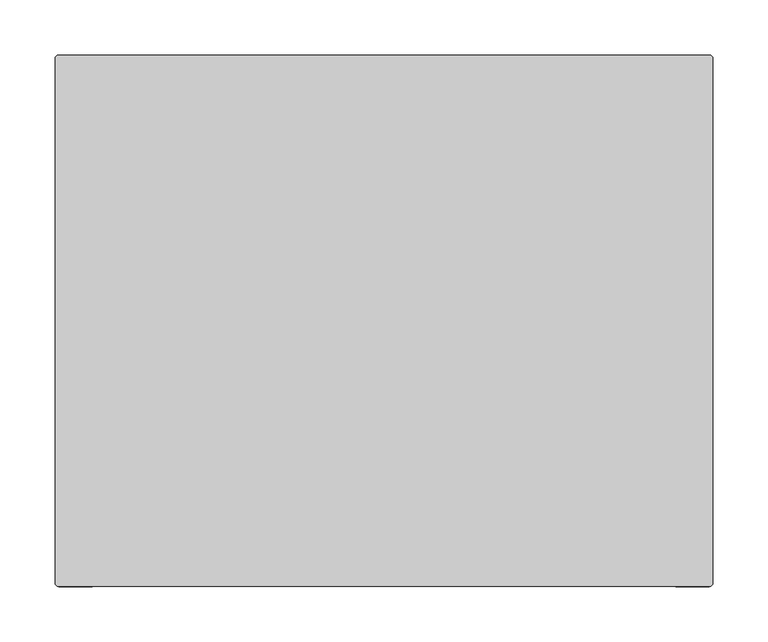
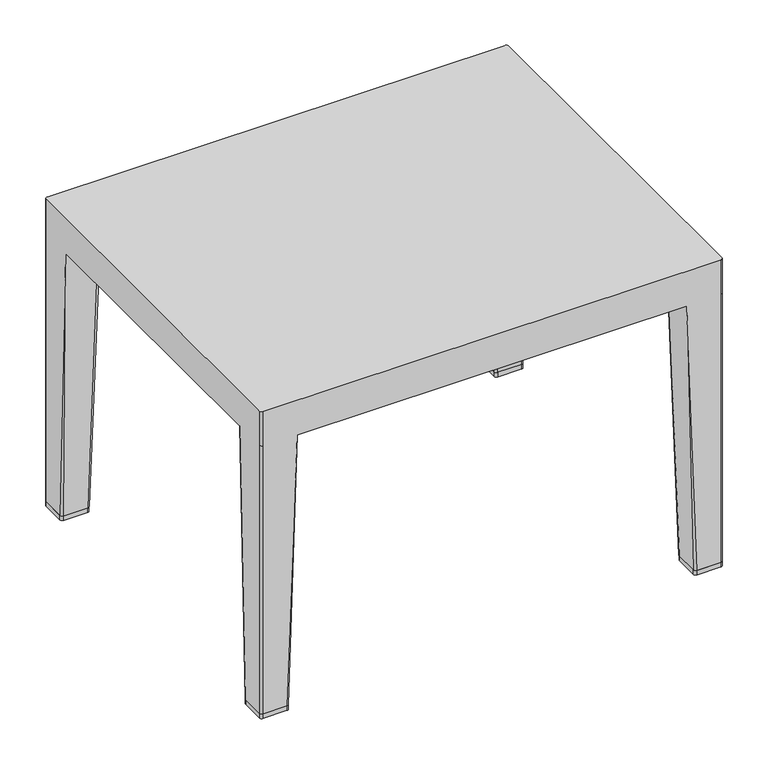
"""IFC4 building model written with IfcOpenShell, lengths in millimetres: furniture geometry."""

from ifc_helpers import new_model, si_unit, point, frame, frame_2d, origin, origin_with_axes, place, context, project, spatial, polyline, circle_curve, trimmed, segment, composite_curve, outline, extrude, source, transform, mapped, element, save
from ifc_brep_helpers import plane_surface, cylinder_surface, spline_surface, advanced_brep


def furniture_7663b2f9(model_context):
    return source(origin(), model_context, "Body", "SolidModel", [
        advanced_brep(
        [(-298.45, -245.3299408, 6.3500002), (-301.625, -242.1549408, 6.3500002), (-301.625, -211.3833511, 6.3500002), (-298.4808826, -208.2392337, 6.3500002), (-267.705475, -208.2392337, 6.3500002), (-264.5716941, -211.3730146, 6.3500002), (-264.5716941, -242.1549408, 6.3500002), (-267.7466941, -245.3299408, 6.3500002), (-254.383744, -245.3299408, 371.7726563), (248.033744, -245.3299408, 371.7726563), (261.3966941, -245.3299408, 6.3500002), (292.1, -245.3299408, 6.3500002), (292.0620244, -245.3299408, 371.7726563), (292.0620244, -245.3299408, 419.1), (-298.45, -245.3299408, 419.1), (-298.45, -245.3299408, 371.7726563), (-254.383744, -204.4012836, 371.7726563), (-301.625, -198.0512836, 371.7726563), (-260.733744, -198.0512836, 371.7726563), (-301.625, -242.1549408, 371.7726563), (-301.625, -242.1549408, 419.1), (-301.625, 234.0782167, 419.1), (-301.625, 234.0782167, 371.7726563), (-301.625, 234.0950592, 6.3500002), (-301.625, 203.3234695, 6.3500002), (-301.625, 189.991402, 371.7726563), (258.2216941, -242.1549408, 6.3500002), (258.2216941, -211.3730146, 6.3500002), (261.355475, -208.2392337, 6.3500002), (292.1308826, -208.2392337, 6.3500002), (295.275, -211.3833511, 6.3500002), (295.275, -242.1549408, 6.3500002), (248.033744, -204.4012836, 371.7726563), (254.383744, -198.0512836, 371.7726563), (295.275, -198.0512836, 371.7726563), (295.275, 189.991402, 371.7726563), (295.275, 203.3234695, 6.3500002), (295.275, 234.0950592, 6.3500002), (295.275, 234.0493066, 371.7726563), (295.275, 234.0493066, 419.1), (295.275, -242.1169652, 419.1), (295.275, -242.1169652, 371.7726563), (292.1, 237.2700592, 6.3500002), (292.1308826, 200.1793521, 6.3500002), (261.355475, 200.1793521, 6.3500002), (258.2216941, 203.313133, 6.3500002), (258.2216941, 234.0950592, 6.3500002), (261.3966941, 237.2700592, 6.3500002), (248.033744, 237.2700592, 371.7726563), (-254.383744, 237.2700592, 371.7726563), (-267.7466941, 237.2700592, 6.3500002), (-298.45, 237.2700592, 6.3500002), (-298.4331575, 237.2700592, 371.7726563), (-298.4331575, 237.2700592, 419.1), (292.0542474, 237.2700592, 419.1), (292.0542474, 237.2700592, 371.7726563), (248.033744, 196.341402, 371.7726563), (254.383744, 189.991402, 371.7726563), (-264.5716941, 234.0950592, 6.3500002), (-264.5716941, 203.313133, 6.3500002), (-267.705475, 200.1793521, 6.3500002), (-298.4808826, 200.1793521, 6.3500002), (-254.383744, 196.341402, 371.7726563), (-260.733744, 189.991402, 371.7726563)],
        [
            (0, 1, circle_curve(frame((-298.45, -242.1549408, 6.3500002), z_axis=(0.0, 0.0, -1.0), x_axis=(0.0, -1.0, 0.0)), 3.175)),
            (1, 2),
            (2, 3, circle_curve(frame((-298.4808826, -211.3833511, 6.3500002), z_axis=(0.0, 0.0, -1.0), x_axis=(-1.0, 0.0, 0.0)), 3.1441174)),
            (3, 4),
            (4, 5, circle_curve(frame((-267.705475, -211.3730146, 6.3500002), z_axis=(0.0, 0.0, -1.0), x_axis=(-1.0, 0.0, 0.0)), 3.1337809)),
            (5, 6),
            (6, 7, circle_curve(frame((-267.7466941, -242.1549408, 6.3500002), z_axis=(0.0, 0.0, -1.0), x_axis=(-1.0, 0.0, 0.0)), 3.175)),
            (7, 0),
            (7, 8),
            (8, 9),
            (9, 10),
            (10, 11),
            (11, 12),
            (12, 13),
            (13, 14),
            (14, 15),
            (15, 0),
            (5, 16),
            (16, 8),
            (8, 6),
            (3, 17),
            (17, 18),
            (18, 4),
            (1, 19),
            (19, 20),
            (20, 21),
            (21, 22),
            (22, 23),
            (23, 24),
            (24, 25),
            (25, 17),
            (17, 2),
            (18, 16, circle_curve(frame((-260.733744, -204.4012836, 371.7726563), z_axis=(0.0, 0.0, -1.0), x_axis=(-1.0, 0.0, 0.0)), 6.35)),
            (15, 19, circle_curve(frame((-298.45, -242.1549408, 371.7726562), z_axis=(0.0, 0.0, -1.0), x_axis=(0.0, -1.0, 0.0)), 3.175)),
            (10, 26, circle_curve(frame((261.3966941, -242.1549408, 6.3500002), z_axis=(0.0, 0.0, -1.0), x_axis=(1.0, 0.0, 0.0)), 3.175)),
            (26, 27),
            (27, 28, circle_curve(frame((261.355475, -211.3730146, 6.3500002), z_axis=(0.0, 0.0, -1.0), x_axis=(1.0, 0.0, 0.0)), 3.1337809)),
            (28, 29),
            (29, 30, circle_curve(frame((292.1308826, -211.3833511, 6.3500002), z_axis=(0.0, 0.0, -1.0), x_axis=(1.0, 0.0, 0.0)), 3.1441174)),
            (30, 31),
            (31, 11, circle_curve(frame((292.1, -242.1549408, 6.3500002), z_axis=(0.0, 0.0, -1.0), x_axis=(1.0, 0.0, 0.0)), 3.175)),
            (26, 9),
            (9, 32),
            (32, 27),
            (28, 33),
            (33, 34),
            (34, 29),
            (30, 34),
            (34, 35),
            (35, 36),
            (36, 37),
            (37, 38),
            (38, 39),
            (39, 40),
            (40, 41),
            (41, 31),
            (32, 33, circle_curve(frame((254.383744, -204.4012836, 371.7726563), z_axis=(0.0, 0.0, -1.0), x_axis=(1.0, 0.0, 0.0)), 6.35)),
            (41, 12, circle_curve(frame((292.0620244, -242.1169652, 371.7726563), z_axis=(0.0, 0.0, -1.0), x_axis=(1.0, 0.0, 0.0)), 3.2129756)),
            (42, 37, circle_curve(frame((292.1, 234.0950592, 6.3500002), z_axis=(0.0, 0.0, -1.0), x_axis=(1.0, 0.0, 0.0)), 3.175)),
            (36, 43, circle_curve(frame((292.1308826, 203.3234695, 6.3500002), z_axis=(0.0, 0.0, -1.0), x_axis=(1.0, 0.0, 0.0)), 3.1441174)),
            (43, 44),
            (44, 45, circle_curve(frame((261.355475, 203.313133, 6.3500002), z_axis=(0.0, 0.0, -1.0), x_axis=(1.0, 0.0, 0.0)), 3.1337809)),
            (45, 46),
            (46, 47, circle_curve(frame((261.3966941, 234.0950592, 6.3500002), z_axis=(0.0, 0.0, -1.0), x_axis=(1.0, 0.0, 0.0)), 3.175)),
            (47, 42),
            (47, 48),
            (48, 49),
            (49, 50),
            (50, 51),
            (51, 52),
            (52, 53),
            (53, 54),
            (54, 55),
            (55, 42),
            (45, 56),
            (56, 48),
            (48, 46),
            (43, 35),
            (35, 57),
            (57, 44),
            (57, 56, circle_curve(frame((254.383744, 196.341402, 371.7726563), z_axis=(0.0, 0.0, -1.0), x_axis=(1.0, 0.0, 0.0)), 6.35)),
            (55, 38, circle_curve(frame((292.0542474, 234.0493066, 371.7726563), z_axis=(0.0, 0.0, -1.0), x_axis=(1.0, 0.0, 0.0)), 3.2207526)),
            (50, 58, circle_curve(frame((-267.7466941, 234.0950592, 6.3500002), z_axis=(0.0, 0.0, -1.0), x_axis=(-1.0, 0.0, 0.0)), 3.175)),
            (58, 59),
            (59, 60, circle_curve(frame((-267.705475, 203.313133, 6.3500002), z_axis=(0.0, 0.0, -1.0), x_axis=(-1.0, 0.0, 0.0)), 3.1337809)),
            (60, 61),
            (61, 24, circle_curve(frame((-298.4808826, 203.3234695, 6.3500002), z_axis=(0.0, 0.0, -1.0), x_axis=(-1.0, 0.0, 0.0)), 3.1441174)),
            (23, 51, circle_curve(frame((-298.45, 234.0950592, 6.3500002), z_axis=(0.0, 0.0, -1.0), x_axis=(-1.0, 0.0, 0.0)), 3.175)),
            (58, 49),
            (49, 62),
            (62, 59),
            (60, 63),
            (63, 25),
            (25, 61),
            (62, 63, circle_curve(frame((-260.733744, 196.341402, 371.7726563), z_axis=(0.0, 0.0, -1.0), x_axis=(-1.0, 0.0, 0.0)), 6.35)),
            (22, 52, circle_curve(frame((-298.4331575, 234.0782167, 371.7726563), z_axis=(0.0, 0.0, -1.0), x_axis=(1.0, 0.0, 0.0)), 3.1918425)),
            (53, 21, circle_curve(frame((-298.4331575, 234.0782167, 419.1), z_axis=(0.0, 0.0, 1.0), x_axis=(1.0, 0.0, 0.0)), 3.1918425)),
            (20, 14, circle_curve(frame((-298.45, -242.1549408, 419.1), z_axis=(0.0, 0.0, 1.0), x_axis=(1.0, 0.0, 0.0)), 3.175)),
            (13, 40, circle_curve(frame((292.0620244, -242.1169652, 419.1), z_axis=(0.0, 0.0, 1.0), x_axis=(1.0, 0.0, 0.0)), 3.2129756)),
            (39, 54, circle_curve(frame((292.0542474, 234.0493066, 419.1), z_axis=(0.0, 0.0, 1.0), x_axis=(1.0, 0.0, 0.0)), 3.2207526)),
        ],
        [
            plane_surface(frame((-283.097055, -226.7755745, 6.3500002), z_axis=(0.0, 0.0, -1.0), x_axis=(1.0, 0.0, 0.0))),
            plane_surface(frame((-283.098347, -245.3299408, 6.3500002), z_axis=(0.0, -1.0, 0.0), x_axis=(1.0, 0.0, 0.0))),
            plane_surface(frame((-264.5716941, -226.7639777, 6.3500002), z_axis=(0.9996115817811245, 0.0, -0.02786907908486156), x_axis=(0.0, 1.0, 0.0))),
            plane_surface(frame((-283.0931788, -208.2392337, 6.3500002), z_axis=(0.0, 0.9996115817811256, -0.027869079084823542), x_axis=(-1.0, 0.0, 0.0))),
            plane_surface(frame((-301.625, -226.7691459, 6.3500002), z_axis=(-1.0, 0.0, 0.0), x_axis=(0.0, -1.0, 0.0))),
            spline_surface(2, 1, [[(-267.7466941, -245.3299408, 6.3500002), (-254.383744, -245.3299408, 371.7726563)], [(-264.5716941, -245.3299408, 6.3500002), (-254.383744, -245.3299408, 371.7726563)], [(-264.5716941, -242.1549408, 6.3500002), (-254.383744, -245.3299408, 371.7726563)]], [3, 3], [2, 2], [0.0, 1.0], [0.0, 1.0], weights=[[1.0, 1.0], [0.7071067811865476, 0.7071067811865476], [1.0, 1.0]]),
            spline_surface(2, 1, [[(-264.5716941, -211.3730146, 6.3500002), (-254.383744, -204.4012836, 371.7726563)], [(-264.5716941, -208.23923370000003, 6.3500002), (-254.383744, -198.0512836, 371.7726563)], [(-267.705475, -208.2392337, 6.3500002), (-260.733744, -198.0512836, 371.7726563)]], [3, 3], [2, 2], [0.0, 1.0], [0.0, 1.0], weights=[[1.0, 1.0], [0.7071067811865476, 0.7071067811865476], [1.0, 1.0]]),
            spline_surface(2, 1, [[(-298.4808826, -208.2392337, 6.3500002), (-301.625, -198.0512836, 371.7726563)], [(-301.625, -208.23923370000003, 6.3500002), (-301.625, -198.0512836, 371.7726563)], [(-301.625, -211.3833511, 6.3500002), (-301.625, -198.0512836, 371.7726563)]], [3, 3], [2, 2], [0.0, 1.0], [0.0, 1.0], weights=[[1.0, 1.0], [0.7071067811865508, 0.7071067811865508], [1.0, 1.0]]),
            cylinder_surface(frame((-298.45, -242.1549408, 6.3500002), z_axis=(0.0, 0.0, 1.0), x_axis=(0.0, -1.0, 0.0)), 3.175),
            plane_surface(frame((276.747055, -226.7755745, 6.3500002), z_axis=(0.0, 0.0, -1.0), x_axis=(1.0, 0.0, 0.0))),
            plane_surface(frame((258.2216941, -226.7639777, 6.3500002), z_axis=(-0.999611581781122, 0.0, -0.02786907908495257), x_axis=(0.0, -1.0, 0.0))),
            plane_surface(frame((276.7431788, -208.2392337, 6.3500002), z_axis=(0.0, 0.9996115817811219, -0.027869079084956824), x_axis=(-1.0, 0.0, 0.0))),
            plane_surface(frame((295.275, -226.7691459, 6.3500002), z_axis=(1.0, 0.0, 0.0), x_axis=(0.0, 1.0, 0.0))),
            spline_surface(2, 1, [[(258.2216941, -242.1549408, 6.3500002), (248.033744, -245.3299408, 371.7726563)], [(258.2216941, -245.3299408, 6.3500002), (248.033744, -245.3299408, 371.7726563)], [(261.3966941, -245.3299408, 6.3500002), (248.033744, -245.3299408, 371.7726563)]], [3, 3], [2, 2], [0.0, 1.0], [0.0, 1.0], weights=[[1.0, 1.0], [0.7071067811865476, 0.7071067811865476], [1.0, 1.0]]),
            spline_surface(2, 1, [[(261.355475, -208.2392337, 6.3500002), (254.383744, -198.0512836, 371.7726563)], [(258.22169410000004, -208.2392337, 6.3500002), (248.033744, -198.0512836, 371.7726563)], [(258.2216941, -211.3730146, 6.3500002), (248.033744, -204.4012836, 371.7726563)]], [3, 3], [2, 2], [0.0, 1.0], [0.0, 1.0], weights=[[1.0, 1.0], [0.7071067811865476, 0.7071067811865476], [1.0, 1.0]]),
            spline_surface(2, 1, [[(295.275, -211.3833511, 6.3500002), (295.275, -198.0512836, 371.7726563)], [(295.275, -208.23923370000003, 6.3500002), (295.275, -198.0512836, 371.7726563)], [(292.1308826, -208.2392337, 6.3500002), (295.275, -198.0512836, 371.7726563)]], [3, 3], [2, 2], [0.0, 1.0], [0.0, 1.0], weights=[[1.0, 1.0], [0.7071067811865507, 0.7071067811865507], [1.0, 1.0]]),
            spline_surface(2, 1, [[(292.1, -245.3299408, 6.3500002), (292.0620244, -245.3299408, 371.7726563)], [(295.27500000000003, -245.3299408, 6.3500002), (295.275, -245.3299408, 371.7726563)], [(295.275, -242.1549408, 6.3500002), (295.275, -242.1169652, 371.7726563)]], [3, 3], [2, 2], [0.0, 1.0], [0.0, 1.0], weights=[[1.0, 1.0], [0.7071067811865476, 0.7071067811865476], [1.0, 1.0]]),
            plane_surface(frame((276.747055, 218.715693, 6.3500002), z_axis=(0.0, 0.0, -1.0), x_axis=(-1.0, 0.0, 0.0))),
            plane_surface(frame((276.748347, 237.2700592, 6.3500002), z_axis=(0.0, 1.0, 0.0), x_axis=(-1.0, 0.0, 0.0))),
            plane_surface(frame((258.2216941, 218.7040961, 6.3500002), z_axis=(-0.9996115817811253, 0.0, -0.02786907908483159), x_axis=(0.0, -1.0, 0.0))),
            plane_surface(frame((276.7431788, 200.1793521, 6.3500002), z_axis=(0.0, -0.999611581781124, -0.02786907908487996), x_axis=(1.0, 0.0, 0.0))),
            spline_surface(2, 1, [[(261.3966941, 237.2700592, 6.3500002), (248.033744, 237.2700592, 371.7726563)], [(258.22169410000004, 237.27005919999996, 6.3500002), (248.033744, 237.2700592, 371.7726563)], [(258.2216941, 234.0950592, 6.3500002), (248.033744, 237.2700592, 371.7726563)]], [3, 3], [2, 2], [0.0, 1.0], [0.0, 1.0], weights=[[1.0, 1.0], [0.7071067811865507, 0.7071067811865507], [1.0, 1.0]]),
            spline_surface(2, 1, [[(258.2216941, 203.313133, 6.3500002), (248.033744, 196.341402, 371.7726563)], [(258.2216941, 200.17935209999996, 6.3500002), (248.033744, 189.991402, 371.7726563)], [(261.355475, 200.1793521, 6.3500002), (254.383744, 189.991402, 371.7726563)]], [3, 3], [2, 2], [0.0, 1.0], [0.0, 1.0], weights=[[1.0, 1.0], [0.7071067811865476, 0.7071067811865476], [1.0, 1.0]]),
            spline_surface(2, 1, [[(292.1308826, 200.1793521, 6.3500002), (295.275, 189.991402, 371.7726563)], [(295.275, 200.17935209999996, 6.3500002), (295.275, 189.991402, 371.7726563)], [(295.275, 203.3234695, 6.3500002), (295.275, 189.991402, 371.7726563)]], [3, 3], [2, 2], [0.0, 1.0], [0.0, 1.0], weights=[[1.0, 1.0], [0.7071067811865444, 0.7071067811865444], [1.0, 1.0]]),
            spline_surface(2, 1, [[(295.275, 234.0950592, 6.3500002), (295.275, 234.0493066, 371.7726563)], [(295.275, 237.27005919999996, 6.3500002), (295.275, 237.27005919999996, 371.7726563)], [(292.1, 237.2700592, 6.3500002), (292.0542474, 237.2700592, 371.7726563)]], [3, 3], [2, 2], [0.0, 1.0], [0.0, 1.0], weights=[[1.0, 1.0], [0.7071067811865506, 0.7071067811865506], [1.0, 1.0]]),
            plane_surface(frame((-283.097055, 218.715693, 6.3500002), z_axis=(0.0, 0.0, -1.0), x_axis=(-1.0, 0.0, 0.0))),
            plane_surface(frame((-264.5716941, 218.7040961, 6.3500002), z_axis=(0.9996115817811239, 0.0, -0.027869079084886072), x_axis=(0.0, 1.0, 0.0))),
            plane_surface(frame((-283.0931788, 200.1793521, 6.3500002), z_axis=(0.0, -0.9996115817811225, -0.027869079084932403), x_axis=(1.0, 0.0, 0.0))),
            spline_surface(2, 1, [[(-264.5716941, 234.0950592, 6.3500002), (-254.383744, 237.2700592, 371.7726563)], [(-264.57169409999995, 237.27005920000002, 6.3500002), (-254.383744, 237.2700592, 371.7726563)], [(-267.7466941, 237.2700592, 6.3500002), (-254.383744, 237.2700592, 371.7726563)]], [3, 3], [2, 2], [0.0, 1.0], [0.0, 1.0], weights=[[1.0, 1.0], [0.7071067811865444, 0.7071067811865444], [1.0, 1.0]]),
            spline_surface(2, 1, [[(-267.705475, 200.1793521, 6.3500002), (-260.733744, 189.991402, 371.7726563)], [(-264.57169409999995, 200.1793521, 6.3500002), (-254.383744, 189.991402, 371.7726563)], [(-264.5716941, 203.313133, 6.3500002), (-254.383744, 196.341402, 371.7726563)]], [3, 3], [2, 2], [0.0, 1.0], [0.0, 1.0], weights=[[1.0, 1.0], [0.7071067811865476, 0.7071067811865476], [1.0, 1.0]]),
            spline_surface(2, 1, [[(-301.625, 203.3234695, 6.3500002), (-301.625, 189.991402, 371.7726563)], [(-301.625, 200.17935209999996, 6.3500002), (-301.625, 189.991402, 371.7726563)], [(-298.4808826, 200.1793521, 6.3500002), (-301.625, 189.991402, 371.7726563)]], [3, 3], [2, 2], [0.0, 1.0], [0.0, 1.0], weights=[[1.0, 1.0], [0.7071067811865444, 0.7071067811865444], [1.0, 1.0]]),
            spline_surface(2, 1, [[(-298.45, 237.2700592, 6.3500002), (-298.4331575, 237.2700592, 371.7726563)], [(-301.625, 237.27005919999996, 6.3500002), (-301.625, 237.27005919999996, 371.7726563)], [(-301.625, 234.0950592, 6.3500002), (-301.625, 234.0782167, 371.7726563)]], [3, 3], [2, 2], [0.0, 1.0], [0.0, 1.0], weights=[[1.0, 1.0], [0.7071067811865507, 0.7071067811865507], [1.0, 1.0]]),
            plane_surface(frame((-298.4331575, 237.2700592, 419.1), z_axis=(0.0, 0.0, 1.0), x_axis=(-1.0, 0.0, 0.0))),
            plane_surface(frame((-298.4331575, 237.2700592, 371.7726563), z_axis=(0.0, 0.0, -1.0), x_axis=(1.0, 0.0, 0.0))),
            cylinder_surface(frame((-298.4331575, 234.0782167, 371.7726563), z_axis=(0.0, 0.0, 1.0), x_axis=(1.0, 0.0, 0.0)), 3.1918425),
            cylinder_surface(frame((-298.45, -242.1549408, 371.7726563), z_axis=(0.0, 0.0, 1.0), x_axis=(1.0, 0.0, 0.0)), 3.175),
            cylinder_surface(frame((292.0620244, -242.1169652, 371.7726563), z_axis=(0.0, 0.0, 1.0), x_axis=(1.0, 0.0, 0.0)), 3.2129756),
            cylinder_surface(frame((292.0542474, 234.0493066, 371.7726563), z_axis=(0.0, 0.0, 1.0), x_axis=(1.0, 0.0, 0.0)), 3.2207526),
        ],
        [
            (0, [[1, 2, 3, 4, 5, 6, 7, 8]]),
            (1, [[-8, 9, 10, 11, 12, 13, 14, 15, 16, 17]]),
            (2, [[-6, 18, 19, 20]]),
            (3, [[-4, 21, 22, 23]]),
            (4, [[-2, 24, 25, 26, 27, 28, 29, 30, 31, 32]]),
            (5, [[-7, -20, -9]]),
            (6, [[-5, -23, 33, -18]]),
            (7, [[-3, -32, -21]]),
            (8, [[-1, -17, 34, -24]]),
            (9, [[-12, 35, 36, 37, 38, 39, 40, 41]]),
            (10, [[-36, 42, 43, 44]]),
            (11, [[-38, 45, 46, 47]]),
            (12, [[-40, 48, 49, 50, 51, 52, 53, 54, 55, 56]]),
            (13, [[-35, -11, -42]]),
            (14, [[-37, -44, 57, -45]]),
            (15, [[-39, -47, -48]]),
            (16, [[-41, -56, 58, -13]]),
            (17, [[59, -51, 60, 61, 62, 63, 64, 65]]),
            (18, [[-65, 66, 67, 68, 69, 70, 71, 72, 73, 74]]),
            (19, [[-63, 75, 76, 77]]),
            (20, [[-61, 78, 79, 80]]),
            (21, [[-64, -77, -66]]),
            (22, [[-62, -80, 81, -75]]),
            (23, [[-60, -50, -78]]),
            (24, [[-59, -74, 82, -52]]),
            (25, [[-69, 83, 84, 85, 86, 87, -29, 88]]),
            (26, [[-84, 89, 90, 91]]),
            (27, [[-86, 92, 93, 94]]),
            (28, [[-83, -68, -89]]),
            (29, [[-85, -91, 95, -92]]),
            (30, [[-87, -94, -30]]),
            (31, [[-88, -28, 96, -70]]),
            (32, [[-72, 97, -26, 98, -15, 99, -54, 100]]),
            (33, [[-10, -19, -33, -22, -31, -93, -95, -90, -67, -76, -81, -79, -49, -46, -57, -43]]),
            (34, [[-97, -71, -96, -27]]),
            (35, [[-98, -25, -34, -16]]),
            (36, [[-99, -14, -58, -55]]),
            (37, [[-100, -53, -82, -73]]),
        ],
    ),
        extrude(outline(composite_curve([segment(trimmed(circle_curve(frame_2d((-298.45, -242.1549408)), 3.175), [point((-298.45, -245.3299408))], [point((-301.625, -242.1549408))], False, "CARTESIAN"), True, "CONTINUOUS"), segment(polyline([(-301.625, -242.1549408), (-301.625, -211.4192945)]), True, "CONTINUOUS"), segment(trimmed(circle_curve(frame_2d((-298.4449392, -211.4192945)), 3.1800608), [point((-301.625, -211.4192945))], [point((-298.4449392, -208.2392337))], False, "CARTESIAN"), True, "CONTINUOUS"), segment(polyline([(-298.4449392, -208.2392337), (-267.7821452, -208.2392337)]), True, "CONTINUOUS"), segment(trimmed(circle_curve(frame_2d((-267.7821452, -211.4496848)), 3.2104511), [point((-267.7821452, -208.2392337))], [point((-264.5716941, -211.4496848))], False, "CARTESIAN"), True, "CONTINUOUS"), segment(polyline([(-264.5716941, -211.4496848), (-264.5716941, -242.1549408)]), True, "CONTINUOUS"), segment(trimmed(circle_curve(frame_2d((-267.7466941, -242.1549408)), 3.175), [point((-264.5716941, -242.1549408))], [point((-267.7466941, -245.3299408))], False, "CARTESIAN"), True, "CONTINUOUS"), segment(polyline([(-267.7466941, -245.3299408), (-298.45, -245.3299408)]), True, "CONTINUOUS")], self_intersect=False)), origin_with_axes(), (0.0, 0.0, 1.0), 6.3500002),
        extrude(outline(composite_curve([segment(polyline([(292.1, -245.3299408), (261.3966941, -245.3299408)]), True, "CONTINUOUS"), segment(trimmed(circle_curve(frame_2d((261.3966941, -242.1549408)), 3.175), [point((261.3966941, -245.3299408))], [point((258.2216941, -242.1549408))], False, "CARTESIAN"), True, "CONTINUOUS"), segment(polyline([(258.2216941, -242.1549408), (258.2216941, -211.4496848)]), True, "CONTINUOUS"), segment(trimmed(circle_curve(frame_2d((261.4321452, -211.4496848)), 3.2104511), [point((258.2216941, -211.4496848))], [point((261.4321452, -208.2392337))], False, "CARTESIAN"), True, "CONTINUOUS"), segment(polyline([(261.4321452, -208.2392337), (292.0949392, -208.2392337)]), True, "CONTINUOUS"), segment(trimmed(circle_curve(frame_2d((292.0949392, -211.4192945)), 3.1800608), [point((292.0949392, -208.2392337))], [point((295.275, -211.4192945))], False, "CARTESIAN"), True, "CONTINUOUS"), segment(polyline([(295.275, -211.4192945), (295.275, -242.1549408)]), True, "CONTINUOUS"), segment(trimmed(circle_curve(frame_2d((292.1, -242.1549408)), 3.175), [point((295.275, -242.1549408))], [point((292.1, -245.3299408))], False, "CARTESIAN"), True, "CONTINUOUS")], self_intersect=False)), origin_with_axes(), (0.0, 0.0, 1.0), 6.3500002),
        extrude(outline(composite_curve([segment(polyline([(-298.45, 237.2700592), (-267.7466941, 237.2700592)]), True, "CONTINUOUS"), segment(trimmed(circle_curve(frame_2d((-267.7466941, 234.0950592)), 3.175), [point((-267.7466941, 237.2700592))], [point((-264.5716941, 234.0950592))], False, "CARTESIAN"), True, "CONTINUOUS"), segment(polyline([(-264.5716941, 234.0950592), (-264.5716941, 203.5180135)]), True, "CONTINUOUS"), segment(trimmed(circle_curve(frame_2d((-267.7821452, 203.5180135)), 3.2104511), [point((-264.5716941, 203.5180135))], [point((-267.7821452, 200.3075624))], False, "CARTESIAN"), True, "CONTINUOUS"), segment(polyline([(-267.7821452, 200.3075624), (-298.4449392, 200.3075624)]), True, "CONTINUOUS"), segment(trimmed(circle_curve(frame_2d((-298.4449392, 203.4876232)), 3.1800608), [point((-298.4449392, 200.3075624))], [point((-301.625, 203.4876232))], False, "CARTESIAN"), True, "CONTINUOUS"), segment(polyline([(-301.625, 203.4876232), (-301.625, 234.0950592)]), True, "CONTINUOUS"), segment(trimmed(circle_curve(frame_2d((-298.45, 234.0950592)), 3.175), [point((-301.625, 234.0950592))], [point((-298.45, 237.2700592))], False, "CARTESIAN"), True, "CONTINUOUS")], self_intersect=False)), origin_with_axes(), (0.0, 0.0, 1.0), 6.3500002),
        extrude(outline(composite_curve([segment(trimmed(circle_curve(frame_2d((292.1, 234.0950592)), 3.175), [point((292.1, 237.2700592))], [point((295.275, 234.0950592))], False, "CARTESIAN"), True, "CONTINUOUS"), segment(polyline([(295.275, 234.0950592), (295.275, 203.4876232)]), True, "CONTINUOUS"), segment(trimmed(circle_curve(frame_2d((292.0949392, 203.4876232)), 3.1800608), [point((295.275, 203.4876232))], [point((292.0949392, 200.3075624))], False, "CARTESIAN"), True, "CONTINUOUS"), segment(polyline([(292.0949392, 200.3075624), (261.4321452, 200.3075624)]), True, "CONTINUOUS"), segment(trimmed(circle_curve(frame_2d((261.4321452, 203.5180135)), 3.2104511), [point((261.4321452, 200.3075624))], [point((258.2216941, 203.5180135))], False, "CARTESIAN"), True, "CONTINUOUS"), segment(polyline([(258.2216941, 203.5180135), (258.2216941, 234.0950592)]), True, "CONTINUOUS"), segment(trimmed(circle_curve(frame_2d((261.3966941, 234.0950592)), 3.175), [point((258.2216941, 234.0950592))], [point((261.3966941, 237.2700592))], False, "CARTESIAN"), True, "CONTINUOUS"), segment(polyline([(261.3966941, 237.2700592), (292.1, 237.2700592)]), True, "CONTINUOUS")], self_intersect=False)), origin_with_axes(), (0.0, 0.0, 1.0), 6.3500002),
    ])


if __name__ == "__main__":
    model = new_model("IFC4")
    model_context = context("Model", 3, world=origin())
    ifc_project = project(units=[si_unit("LENGTHUNIT", "METRE", prefix="MILLI")], contexts=[model_context])
    site = spatial("IfcSite", under=ifc_project)
    building = spatial("IfcBuilding", under=site)
    placement = place(None, origin())
    furniture_shape = furniture_7663b2f9(model_context)
    element("IfcFurniture", 1, at=placement, inside=building, context=model_context, shape_type="MappedRepresentation", body=[
        mapped(furniture_shape, transform((0.0, 0.0, 0.0), x_axis=(1.0, 0.0, 0.0), y_axis=(0.0, 1.0, 0.0), z_axis=(0.0, 0.0, 1.0))),
    ])
    save(model, "model.ifc")
